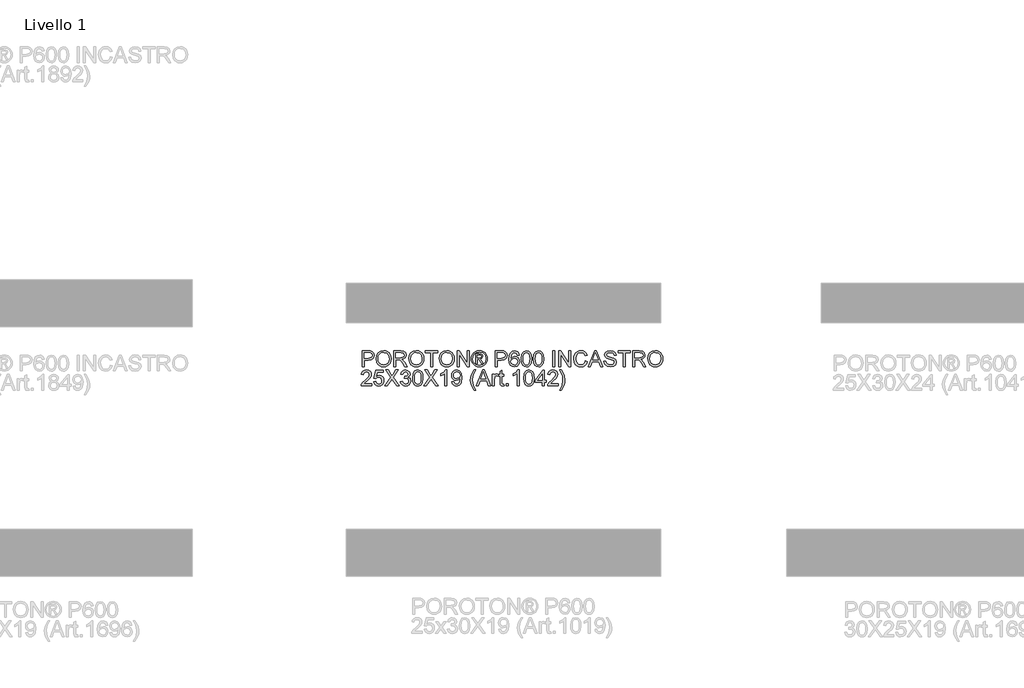
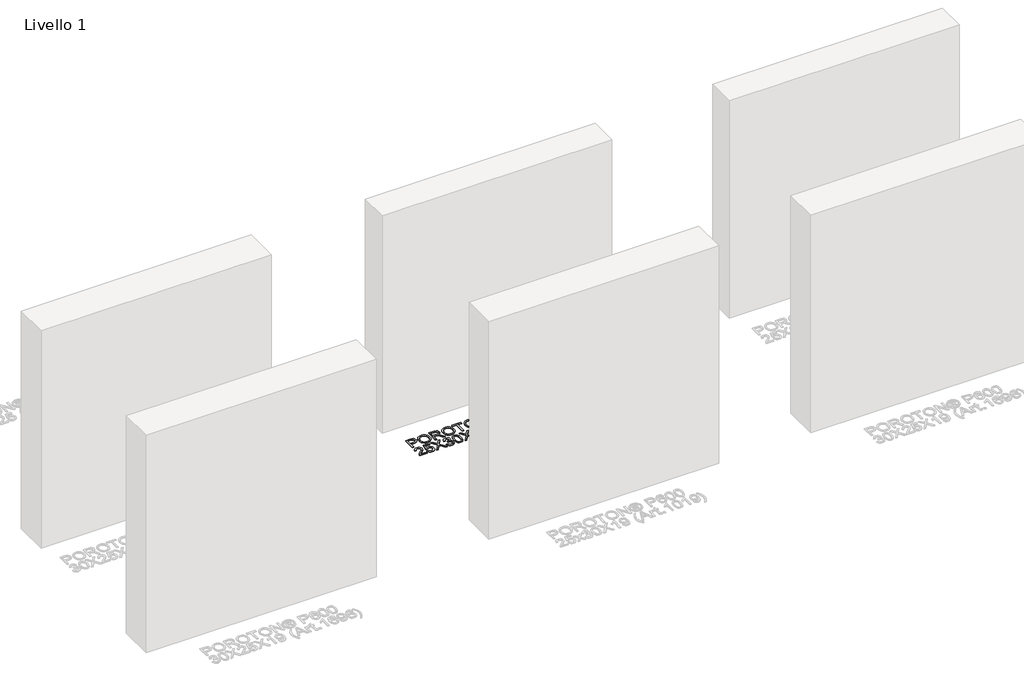
# One storey, part 9 of 11: 1 proxy.
"""IFC4 building model written with IfcOpenShell, lengths in millimetres."""

from ifc_helpers import new_model, si_unit, origin, origin_with_axes, place, context, project, spatial, polyline, outline, extrude, element, save

model = new_model("IFC4")

# Units and contexts
model_context = context("Model", 3, world=origin())
ifc_project = project(units=[si_unit("LENGTHUNIT", "METRE", prefix="MILLI")], contexts=[model_context])

# Site, building, storey
site = spatial("IfcSite", under=ifc_project)
building = spatial("IfcBuilding", under=site)
storey = spatial("IfcBuildingStorey", under=building, Name="Livello 1", Elevation=0.0)

# Proxy
placement = place(None, origin())
element("IfcBuildingElementProxy", 1, Name="100", ObjectType="100", at=placement, inside=storey, context=model_context, shape_type="SweptSolid", body=[
    extrude(outline(polyline([(797.4216782, 2471.0310244), (797.4216782, 2571.4873346), (834.6513361, 2571.4873346), (849.6609215, 2570.5308414), (861.862341, 2565.8342146), (869.7718039, 2556.1221299), (872.7639108, 2542.4246569), (870.7436255, 2530.5849881), (864.6827697, 2520.7196192), (853.3489385, 2514.0609551), (835.5097274, 2511.8414004), (809.978717, 2511.8414004), (809.978717, 2471.0310244), (797.4216782, 2471.0310244)]), holes=[polyline([(809.978717, 2524.3984392), (836.2454914, 2524.3984392), (854.737693, 2529.0092268), (858.8395773, 2534.5581136), (860.206872, 2541.9831985), (856.9817732, 2552.3819963), (848.5082246, 2558.0719045), (835.9511858, 2558.9302958), (809.978717, 2558.9302958), (809.978717, 2524.3984392)])]), origin_with_axes(), (0.0, 0.0, 1.0), 5.0),
    extrude(outline(polyline([(885.3209496, 2519.9348043), (888.6686757, 2542.1487454), (898.7118542, 2558.9548212), (914.046402, 2569.5314286), (933.2682363, 2573.0569644), (946.4445431, 2571.4014954), (958.2596865, 2566.4350885), (968.069873, 2558.5072315), (975.2313092, 2547.9674123), (979.6091049, 2535.3245344), (981.0683702, 2521.0875012), (979.5324629, 2506.6603956), (974.9247409, 2493.8397081), (967.4996559, 2483.2814948), (957.5116598, 2475.6418121), (945.7976839, 2471.0064989), (933.1946599, 2469.4613946), (919.816018, 2471.1689802), (907.9334296, 2476.2917369), (898.1477685, 2484.3667467), (891.0599087, 2494.9310914), (885.3209496, 2519.9348043)]), holes=[polyline([(897.8779883, 2519.812177), (900.388783, 2504.0974844), (907.9211668, 2492.1229255), (919.2427352, 2484.5445564), (933.1210835, 2482.0184333), (947.2017669, 2484.5690818), (958.5417294, 2492.2210273), (966.0189309, 2504.5634683), (968.5113314, 2521.1856031), (964.2439003, 2541.9096221), (951.7727006, 2555.6316206), (933.3418127, 2560.4999256), (919.8344121, 2558.1546779), (908.3503625, 2551.1189348), (900.4960819, 2538.6017499), (897.8779883, 2519.812177)])]), origin_with_axes(), (0.0, 0.0, 1.0), 5.0),
    extrude(outline(polyline([(998.3342985, 2471.0310244), (998.3342985, 2571.4873346), (1041.6217466, 2571.4873346), (1061.7203663, 2568.7772705), (1072.7077752, 2559.1878132), (1076.8157908, 2543.9942868), (1075.1143366, 2534.0982611), (1070.0099739, 2525.8944926), (1061.3494186, 2519.879622), (1048.9793865, 2516.5502899), (1056.1162972, 2511.1792128), (1066.2943657, 2498.254292), (1083.0452593, 2471.0310244), (1068.4526068, 2471.0310244), (1055.3805332, 2491.8531453), (1045.9382287, 2505.6364574), (1039.30409, 2512.1479687), (1033.332139, 2514.5392017), (1026.0480755, 2514.9806601), (1010.8913373, 2514.9806601), (1010.8913373, 2471.0310244), (998.3342985, 2471.0310244)]), holes=[polyline([(1010.8913373, 2527.5376989), (1038.9975217, 2527.5376989), (1053.3326568, 2529.3157952), (1061.4751116, 2535.0057034), (1064.258752, 2543.5283029), (1058.9489886, 2554.5892882), (1042.1613069, 2558.9302958), (1010.8913373, 2558.9302958), (1010.8913373, 2527.5376989)])]), origin_with_axes(), (0.0, 0.0, 1.0), 5.0),
    extrude(outline(polyline([(1094.0817191, 2519.9348043), (1097.4294453, 2542.1487454), (1107.4726237, 2558.9548212), (1122.8071716, 2569.5314286), (1142.0290058, 2573.0569644), (1155.2053126, 2571.4014954), (1167.020456, 2566.4350885), (1176.8306426, 2558.5072315), (1183.9920787, 2547.9674123), (1188.3698745, 2535.3245344), (1189.8291397, 2521.0875012), (1188.2932324, 2506.6603956), (1183.6855104, 2493.8397081), (1176.2604255, 2483.2814948), (1166.2724293, 2475.6418121), (1154.5584534, 2471.0064989), (1141.9554294, 2469.4613946), (1128.5767875, 2471.1689802), (1116.6941991, 2476.2917369), (1106.908538, 2484.3667467), (1099.8206782, 2494.9310914), (1094.0817191, 2519.9348043)]), holes=[polyline([(1106.6387579, 2519.812177), (1109.1495525, 2504.0974844), (1116.6819363, 2492.1229255), (1128.0035047, 2484.5445564), (1141.881853, 2482.0184333), (1155.9625364, 2484.5690818), (1167.3024989, 2492.2210273), (1174.7797004, 2504.5634683), (1177.272101, 2521.1856031), (1173.0046698, 2541.9096221), (1160.5334702, 2555.6316206), (1142.1025822, 2560.4999256), (1128.5951816, 2558.1546779), (1117.111132, 2551.1189348), (1109.2568514, 2538.6017499), (1106.6387579, 2519.812177)])]), origin_with_axes(), (0.0, 0.0, 1.0), 5.0),
    extrude(outline(polyline([(1232.2091456, 2471.0310244), (1232.2091456, 2558.9302958), (1199.2469188, 2558.9302958), (1199.2469188, 2571.4873346), (1277.7284111, 2571.4873346), (1277.7284111, 2558.9302958), (1244.7661843, 2558.9302958), (1244.7661843, 2471.0310244), (1232.2091456, 2471.0310244)])), origin_with_axes(), (0.0, 0.0, 1.0), 5.0),
    extrude(outline(polyline([(1287.1461902, 2519.9348043), (1290.4939163, 2542.1487454), (1300.5370948, 2558.9548212), (1315.8716426, 2569.5314286), (1335.0934769, 2573.0569644), (1348.2697837, 2571.4014954), (1360.0849271, 2566.4350885), (1369.8951136, 2558.5072315), (1377.0565498, 2547.9674123), (1381.4343455, 2535.3245344), (1382.8936108, 2521.0875012), (1381.3577035, 2506.6603956), (1376.7499815, 2493.8397081), (1369.3248965, 2483.2814948), (1359.3369004, 2475.6418121), (1347.6229245, 2471.0064989), (1335.0199005, 2469.4613946), (1321.6412586, 2471.1689802), (1309.7586701, 2476.2917369), (1299.9730091, 2484.3667467), (1292.8851493, 2494.9310914), (1287.1461902, 2519.9348043)]), holes=[polyline([(1299.7032289, 2519.812177), (1302.2140236, 2504.0974844), (1309.7464074, 2492.1229255), (1321.0679758, 2484.5445564), (1334.9463241, 2482.0184333), (1349.0270075, 2484.5690818), (1360.36697, 2492.2210273), (1367.8441715, 2504.5634683), (1370.336572, 2521.1856031), (1366.0691409, 2541.9096221), (1353.5979412, 2555.6316206), (1335.1670533, 2560.4999256), (1321.6596527, 2558.1546779), (1310.1756031, 2551.1189348), (1302.3213225, 2538.6017499), (1299.7032289, 2519.812177)])]), origin_with_axes(), (0.0, 0.0, 1.0), 5.0),
    extrude(outline(polyline([(1400.1595391, 2471.0310244), (1400.1595391, 2571.4873346), (1413.5994947, 2571.4873346), (1466.0839926, 2491.9021963), (1466.0839926, 2571.4873346), (1478.6410314, 2571.4873346), (1478.6410314, 2471.0310244), (1465.2010758, 2471.0310244), (1412.7165779, 2550.6406882), (1412.7165779, 2471.0310244), (1400.1595391, 2471.0310244)])), origin_with_axes(), (0.0, 0.0, 1.0), 5.0),
    extrude(outline(polyline([(1541.4507507, 2573.0569644), (1554.3450146, 2571.3831013), (1566.9327102, 2566.3615121), (1577.9906299, 2558.2251886), (1586.2955659, 2547.2071229), (1591.4918991, 2534.4845372), (1593.2240102, 2521.234654), (1591.5164246, 2508.1012668), (1586.3936678, 2495.4829143), (1578.1898993, 2484.5047025), (1567.2392786, 2476.2917369), (1554.6301232, 2471.1689802), (1541.4507507, 2469.4613946), (1528.2897723, 2471.1689802), (1515.6867483, 2476.2917369), (1504.7269305, 2484.5047025), (1496.4955709, 2495.4829143), (1491.345223, 2508.1012668), (1489.6284403, 2521.234654), (1491.3697484, 2534.4845372), (1496.5936728, 2547.2071229), (1504.9262, 2558.2251886), (1515.9933166, 2566.3615121), (1528.5748809, 2571.3831013), (1541.4507507, 2573.0569644)]), holes=[polyline([(1541.4507507, 2563.6391853), (1520.6286298, 2558.1577436), (1511.6001925, 2551.4960138), (1504.7729158, 2542.4737079), (1499.0462194, 2521.234654), (1504.6625512, 2500.1795412), (1520.3833751, 2484.4955054), (1541.4507507, 2478.8791736), (1562.530389, 2484.4955054), (1578.2144248, 2500.1795412), (1583.8062311, 2521.234654), (1578.1163229, 2542.4737079), (1571.3074403, 2551.4960138), (1562.2606089, 2558.1577436), (1541.4507507, 2563.6391853)])]), origin_with_axes(), (0.0, 0.0, 1.0), 5.0),
    extrude(outline(polyline([(1517.8817776, 2489.8665826), (1517.8817776, 2552.6517764), (1538.1643382, 2552.6517764), (1553.2229746, 2550.922731), (1560.6419281, 2544.8894663), (1563.4010431, 2535.7292046), (1558.6431026, 2523.809828), (1546.0370129, 2518.1199198), (1550.9421062, 2514.7844564), (1559.5014939, 2502.2519431), (1566.5403028, 2489.8665826), (1555.9453013, 2489.8665826), (1550.4270714, 2499.8239219), (1541.1809706, 2514.2448961), (1533.1611431, 2516.5502899), (1527.2995566, 2516.5502899), (1527.2995566, 2489.8665826), (1517.8817776, 2489.8665826)]), holes=[polyline([(1527.2995566, 2525.968069), (1539.2189333, 2525.968069), (1550.8685298, 2528.359302), (1553.983264, 2534.699135), (1552.4872106, 2539.2608718), (1548.330144, 2542.2529787), (1538.4586438, 2543.2339973), (1527.2995566, 2543.2339973), (1527.2995566, 2525.968069)])]), origin_with_axes(), (0.0, 0.0, 1.0), 5.0),
    extrude(outline(polyline([(1643.4521652, 2471.0310244), (1643.4521652, 2571.4873346), (1680.6818232, 2571.4873346), (1695.6914086, 2570.5308414), (1707.8928281, 2565.8342146), (1715.802291, 2556.1221299), (1718.7943979, 2542.4246569), (1716.7741126, 2530.5849881), (1710.7132567, 2520.7196192), (1699.3794256, 2514.0609551), (1681.5402145, 2511.8414004), (1656.009204, 2511.8414004), (1656.009204, 2471.0310244), (1643.4521652, 2471.0310244)]), holes=[polyline([(1656.009204, 2524.3984392), (1682.2759785, 2524.3984392), (1700.7681801, 2529.0092268), (1704.8700643, 2534.5581136), (1706.2373591, 2541.9831985), (1703.0122603, 2552.3819963), (1694.5387116, 2558.0719045), (1681.9816729, 2558.9302958), (1656.009204, 2558.9302958), (1656.009204, 2524.3984392)])]), origin_with_axes(), (0.0, 0.0, 1.0), 5.0),
    extrude(outline(polyline([(1795.7062603, 2544.8036272), (1783.1492215, 2543.2339973), (1778.3912811, 2553.7063715), (1765.8097168, 2558.9302958), (1754.4789514, 2555.889138), (1745.9073009, 2544.4725334), (1742.3388455, 2522.0930453), (1753.4120936, 2532.1116983), (1767.134092, 2535.3858481), (1778.7346376, 2533.1478993), (1788.4712477, 2526.4340529), (1795.0747296, 2516.1762766), (1797.2758902, 2503.3065381), (1793.1310863, 2485.9792961), (1781.7267445, 2473.716563), (1765.2701566, 2469.4613946), (1751.0239263, 2472.2818232), (1739.6778324, 2480.7431091), (1732.2558132, 2495.6791181), (1729.7818068, 2517.9237161), (1732.528659, 2542.9335604), (1740.7692157, 2560.0339418), (1752.0202734, 2568.6239864), (1766.5945318, 2571.4873346), (1777.6125975, 2569.7153696), (1786.435634, 2564.3994748), (1792.6160516, 2555.956583), (1795.7062603, 2544.8036272)]), holes=[polyline([(1742.3388455, 2503.5027418), (1745.2451133, 2492.6256975), (1752.9706352, 2484.7284974), (1764.2891379, 2482.0184333), (1772.5756799, 2483.4225163), (1779.0902569, 2487.6347651), (1783.3117028, 2494.256641), (1784.7188514, 2502.8896052), (1783.3300969, 2511.1761471), (1779.1638333, 2517.4945204), (1772.5388917, 2521.4952371), (1763.7741031, 2522.8288093), (1748.5805767, 2517.4945204), (1743.8992783, 2511.3294313), (1742.3388455, 2503.5027418)])]), origin_with_axes(), (0.0, 0.0, 1.0), 5.0),
    extrude(outline(polyline([(1808.2632991, 2520.4498391), (1811.9543818, 2549.3531012), (1822.9172652, 2566.0181556), (1841.2255258, 2571.4873346), (1855.8917547, 2568.249973), (1866.0207723, 2558.9180331), (1871.9068842, 2544.0556004), (1874.1877526, 2520.4498391), (1870.5334581, 2491.6692043), (1859.6073629, 2474.9673618), (1851.3760032, 2470.8378864), (1841.2255258, 2469.4613946), (1828.1779778, 2471.8526275), (1818.2696893, 2479.0263264), (1810.7648966, 2496.0163432), (1808.2632991, 2520.4498391)]), holes=[polyline([(1820.8203378, 2520.4743646), (1822.2918658, 2500.7221671), (1826.7064498, 2489.2902341), (1833.2792748, 2483.8363835), (1841.2255258, 2482.0184333), (1849.1717769, 2483.8425149), (1855.7446019, 2489.3147596), (1860.1591859, 2500.7528239), (1861.6307138, 2520.4743646), (1860.2082368, 2539.7820379), (1855.9408057, 2551.3028758), (1849.3802434, 2557.0234408), (1841.078373, 2558.9302958), (1833.2179611, 2557.2503013), (1826.9026535, 2552.210318), (1822.3409168, 2539.9721103), (1820.8203378, 2520.4743646)])]), origin_with_axes(), (0.0, 0.0, 1.0), 5.0),
    extrude(outline(polyline([(1885.1751615, 2520.4498391), (1888.8662442, 2549.3531012), (1899.8291277, 2566.0181556), (1918.1373883, 2571.4873346), (1932.8036172, 2568.249973), (1942.9326348, 2558.9180331), (1948.8187467, 2544.0556004), (1951.0996151, 2520.4498391), (1947.4453206, 2491.6692043), (1936.5192253, 2474.9673618), (1928.2878657, 2470.8378864), (1918.1373883, 2469.4613946), (1905.0898402, 2471.8526275), (1895.1815518, 2479.0263264), (1887.6767591, 2496.0163432), (1885.1751615, 2520.4498391)]), holes=[polyline([(1897.7322003, 2520.4743646), (1899.2037283, 2500.7221671), (1903.6183122, 2489.2902341), (1910.1911372, 2483.8363835), (1918.1373883, 2482.0184333), (1926.0836394, 2483.8425149), (1932.6564644, 2489.3147596), (1937.0710483, 2500.7528239), (1938.5425763, 2520.4743646), (1937.1200993, 2539.7820379), (1932.8526681, 2551.3028758), (1926.2921059, 2557.0234408), (1917.9902355, 2558.9302958), (1910.1298235, 2557.2503013), (1903.814516, 2552.210318), (1899.2527792, 2539.9721103), (1897.7322003, 2520.4743646)])]), origin_with_axes(), (0.0, 0.0, 1.0), 5.0),
    extrude(outline(polyline([(2007.6062895, 2471.0310244), (2007.6062895, 2571.4873346), (2020.1633283, 2571.4873346), (2020.1633283, 2471.0310244), (2007.6062895, 2471.0310244)])), origin_with_axes(), (0.0, 0.0, 1.0), 5.0),
    extrude(outline(polyline([(2045.2774058, 2471.0310244), (2045.2774058, 2571.4873346), (2058.7173614, 2571.4873346), (2111.2018594, 2491.9021963), (2111.2018594, 2571.4873346), (2123.7588981, 2571.4873346), (2123.7588981, 2471.0310244), (2110.3189426, 2471.0310244), (2057.8344446, 2550.6406882), (2057.8344446, 2471.0310244), (2045.2774058, 2471.0310244)])), origin_with_axes(), (0.0, 0.0, 1.0), 5.0),
    extrude(outline(polyline([(2216.3670591, 2506.7401034), (2228.9240978, 2503.5027418), (2223.1299564, 2488.8702355), (2214.0371398, 2478.1801978), (2202.0932376, 2471.6410954), (2187.7458398, 2469.4613946), (2173.1807785, 2471.1107322), (2161.6139554, 2476.058745), (2152.7479994, 2484.1337548), (2146.285539, 2495.1640833), (2141.0248265, 2522.0194689), (2142.5116828, 2536.6673037), (2146.972252, 2549.316313), (2154.1735421, 2559.5648922), (2163.8825611, 2567.0114369), (2175.3972675, 2571.5455825), (2188.01562, 2573.0569644), (2201.7836036, 2571.1010585), (2213.1664857, 2565.2333406), (2221.8086469, 2555.8155616), (2227.354468, 2543.2094719), (2214.7974292, 2540.217365), (2204.4967334, 2555.656146), (2187.5251106, 2560.4999256), (2167.8802121, 2555.1288485), (2156.7824386, 2540.7078743), (2153.5818652, 2522.0439944), (2157.3710498, 2500.4125331), (2169.1677991, 2486.5924328), (2186.4950411, 2482.0184333), (2196.9766122, 2483.5758004), (2205.7107439, 2488.2479018), (2212.3050287, 2495.9856864), (2216.3670591, 2506.7401034)])), origin_with_axes(), (0.0, 0.0, 1.0), 5.0),
    extrude(outline(polyline([(2234.4913787, 2471.0310244), (2274.5905162, 2571.4873346), (2285.2836195, 2571.4873346), (2325.382757, 2471.0310244), (2312.1144797, 2471.0310244), (2300.612036, 2502.4236213), (2259.2375742, 2502.4236213), (2247.759656, 2471.0310244), (2234.4913787, 2471.0310244)]), holes=[polyline([(2263.8483619, 2514.9806601), (2296.0257738, 2514.9806601), (2286.9758767, 2539.6778047), (2279.9370678, 2558.9302958), (2273.6830739, 2541.8360457), (2263.8483619, 2514.9806601)])]), origin_with_axes(), (0.0, 0.0, 1.0), 5.0),
    extrude(outline(polyline([(2334.0892975, 2505.562881), (2346.6463363, 2505.562881), (2350.6930382, 2492.9935795), (2360.5768012, 2485.0473284), (2375.6354375, 2482.0184333), (2388.756562, 2484.3115644), (2397.2301106, 2490.6146093), (2400.0137511, 2499.039107), (2397.9290864, 2506.8749935), (2389.3942241, 2512.5771644), (2371.110489, 2517.3718931), (2351.4288022, 2523.5645733), (2340.7479616, 2532.908776), (2337.2285572, 2545.3922384), (2341.5818275, 2559.6047461), (2354.2982818, 2569.6356618), (2372.9131107, 2573.0569644), (2392.7787385, 2569.4762463), (2406.0224903, 2558.9548212), (2411.00116, 2543.2339973), (2398.4441212, 2543.2339973), (2396.1387274, 2550.7265273), (2391.331736, 2556.1343926), (2373.4036201, 2560.4999256), (2355.4264532, 2556.1834436), (2349.785596, 2545.7601204), (2353.783247, 2537.0535798), (2374.2865369, 2530.0392964), (2396.5066094, 2523.7362516), (2408.6589779, 2513.558183), (2412.5707898, 2499.357938), (2408.0703667, 2484.3360899), (2395.1209205, 2473.3732064), (2376.1259468, 2469.4613946), (2353.6974079, 2473.6797748), (2339.5094256, 2486.3839663), (2334.0892975, 2505.562881)])), origin_with_axes(), (0.0, 0.0, 1.0), 5.0),
    extrude(outline(polyline([(2456.5204255, 2471.0310244), (2456.5204255, 2558.9302958), (2423.5581987, 2558.9302958), (2423.5581987, 2571.4873346), (2502.0396911, 2571.4873346), (2502.0396911, 2558.9302958), (2469.0774643, 2558.9302958), (2469.0774643, 2471.0310244), (2456.5204255, 2471.0310244)])), origin_with_axes(), (0.0, 0.0, 1.0), 5.0),
    extrude(outline(polyline([(2516.1663597, 2471.0310244), (2516.1663597, 2571.4873346), (2559.4538078, 2571.4873346), (2579.5524274, 2568.7772705), (2590.5398364, 2559.1878132), (2594.647852, 2543.9942868), (2592.9463977, 2534.0982611), (2587.8420351, 2525.8944926), (2579.1814798, 2519.879622), (2566.8114477, 2516.5502899), (2573.9483584, 2511.1792128), (2584.1264269, 2498.254292), (2600.8773204, 2471.0310244), (2586.2846679, 2471.0310244), (2573.2125944, 2491.8531453), (2563.7702898, 2505.6364574), (2557.1361512, 2512.1479687), (2551.1642001, 2514.5392017), (2543.8801366, 2514.9806601), (2528.7233984, 2514.9806601), (2528.7233984, 2471.0310244), (2516.1663597, 2471.0310244)]), holes=[polyline([(2528.7233984, 2527.5376989), (2556.8295829, 2527.5376989), (2571.1647179, 2529.3157952), (2579.3071728, 2535.0057034), (2582.0908132, 2543.5283029), (2576.7810497, 2554.5892882), (2559.993368, 2558.9302958), (2528.7233984, 2558.9302958), (2528.7233984, 2527.5376989)])]), origin_with_axes(), (0.0, 0.0, 1.0), 5.0),
    extrude(outline(polyline([(2611.9137803, 2519.9348043), (2615.2615064, 2542.1487454), (2625.3046849, 2558.9548212), (2640.6392327, 2569.5314286), (2659.861067, 2573.0569644), (2673.0373738, 2571.4014954), (2684.8525172, 2566.4350885), (2694.6627037, 2558.5072315), (2701.8241399, 2547.9674123), (2706.2019356, 2535.3245344), (2707.6612009, 2521.0875012), (2706.1252936, 2506.6603956), (2701.5175716, 2493.8397081), (2694.0924866, 2483.2814948), (2684.1044905, 2475.6418121), (2672.3905146, 2471.0064989), (2659.7874906, 2469.4613946), (2646.4088487, 2471.1689802), (2634.5262602, 2476.2917369), (2624.7405992, 2484.3667467), (2617.6527394, 2494.9310914), (2611.9137803, 2519.9348043)]), holes=[polyline([(2624.470819, 2519.812177), (2626.9816137, 2504.0974844), (2634.5139975, 2492.1229255), (2645.8355659, 2484.5445564), (2659.7139142, 2482.0184333), (2673.7945975, 2484.5690818), (2685.13456, 2492.2210273), (2692.6117616, 2504.5634683), (2695.1041621, 2521.1856031), (2690.836731, 2541.9096221), (2678.3655313, 2555.6316206), (2659.9346434, 2560.4999256), (2646.4272428, 2558.1546779), (2634.9431932, 2551.1189348), (2627.0889126, 2538.6017499), (2624.470819, 2519.812177)])]), origin_with_axes(), (0.0, 0.0, 1.0), 5.0),
    extrude(outline(polyline([(857.0676124, 2361.6132453), (857.0676124, 2349.0562066), (791.1431588, 2349.0562066), (792.4920595, 2357.7136962), (800.1194795, 2371.0432871), (815.8403034, 2385.5991514), (837.5208157, 2406.5193742), (842.9409437, 2420.7441447), (837.827384, 2432.2588511), (824.4732676, 2436.9554779), (810.5550654, 2432.3692157), (805.2698274, 2419.6895496), (792.7127887, 2421.2591795), (795.7570122, 2433.4054167), (802.3390342, 2442.2775041), (812.1154982, 2447.7037636), (824.7430477, 2449.5125167), (837.4625677, 2447.5014285), (847.2206376, 2441.4681637), (853.4286463, 2432.4550549), (855.4979825, 2421.5044341), (853.2661651, 2409.5973202), (845.8472115, 2397.2855361), (827.8577819, 2380.0809215), (813.4122823, 2368.0021293), (807.7468995, 2361.6132453), (857.0676124, 2361.6132453)])), origin_with_axes(), (0.0, 0.0, 1.0), 5.0),
    extrude(outline(polyline([(869.6246511, 2375.7399139), (882.1816899, 2377.3095438), (888.5092602, 2364.3723603), (901.6303847, 2360.0436155), (910.6312308, 2361.548866), (917.3757341, 2366.0646175), (921.5879829, 2373.0697038), (922.9920659, 2382.0429588), (917.7313534, 2396.9544423), (911.1248059, 2401.0563266), (901.8265884, 2402.4236213), (890.8023913, 2400.2408548), (883.7513197, 2394.5754721), (871.194281, 2396.1451019), (882.1816899, 2447.9428869), (930.8402151, 2447.9428869), (930.8402151, 2435.3858481), (892.335233, 2435.3858481), (886.9641558, 2407.7211221), (895.9343451, 2413.1657756), (905.3337301, 2414.9806601), (917.0661001, 2412.7304486), (926.8057759, 2405.9798139), (933.3632725, 2395.6913808), (935.5491047, 2382.8277737), (933.580936, 2370.2707349), (927.67643, 2359.5285807), (916.37019, 2350.4970777), (901.5813338, 2347.4865767), (889.2480899, 2349.4210229), (879.4225749, 2355.2243613), (872.6872687, 2364.2221418), (869.6246511, 2375.7399139)])), origin_with_axes(), (0.0, 0.0, 1.0), 5.0),
    extrude(outline(polyline([(940.2579942, 2349.0562066), (978.9837056, 2403.7970474), (946.5365136, 2449.5125167), (961.5951499, 2449.5125167), (979.8666223, 2423.7853025), (986.0225144, 2413.7543868), (993.2330015, 2423.9569808), (1011.3082702, 2449.5125167), (1026.5876357, 2449.5125167), (994.1404438, 2403.6498946), (1032.8661551, 2349.0562066), (1017.8075188, 2349.0562066), (992.0067282, 2385.4519986), (986.6356511, 2393.0058422), (980.7250137, 2384.7162346), (955.5373597, 2349.0562066), (940.2579942, 2349.0562066)])), origin_with_axes(), (0.0, 0.0, 1.0), 5.0),
    extrude(outline(polyline([(1040.7143043, 2375.7399139), (1053.2713431, 2377.3095438), (1060.1997874, 2364.0903174), (1073.1614963, 2360.0436155), (1081.769935, 2361.4354357), (1088.4163364, 2365.6108963), (1094.0817191, 2379.3942084), (1088.4653873, 2392.3804429), (1074.1915659, 2397.5185281), (1065.3869235, 2396.1451019), (1066.7848751, 2408.7021407), (1068.7959633, 2408.5549879), (1083.0452593, 2412.1602315), (1087.790937, 2416.7342309), (1089.3728296, 2423.2457423), (1084.7865674, 2433.0681915), (1072.9652926, 2436.9554779), (1060.996865, 2433.0314033), (1054.840973, 2421.2591795), (1042.2839342, 2422.8288093), (1045.9811482, 2434.1043925), (1052.5601046, 2442.5227588), (1061.5609507, 2447.7650772), (1072.5238342, 2449.5125167), (1087.6683097, 2446.0666887), (1098.2633111, 2436.6489096), (1101.9298683, 2423.9815062), (1098.4472521, 2412.4054861), (1088.1465563, 2404.091353), (1101.8317665, 2395.5074398), (1106.6387579, 2379.1734792), (1104.2352622, 2366.9352715), (1097.0247751, 2356.7081521), (1086.1415994, 2349.7919705), (1072.7200379, 2347.4865767), (1060.5799321, 2349.4547454), (1050.6961691, 2355.3592514), (1043.8229072, 2364.3907544), (1040.7143043, 2375.7399139)])), origin_with_axes(), (0.0, 0.0, 1.0), 5.0),
    extrude(outline(polyline([(1117.6261668, 2398.4750212), (1121.3172495, 2427.3782833), (1132.2801329, 2444.0433377), (1150.5883936, 2449.5125167), (1165.2546224, 2446.2751551), (1175.38364, 2436.9432152), (1181.269752, 2422.0807826), (1183.5506203, 2398.4750212), (1179.8963259, 2369.6943865), (1168.9702306, 2352.9925439), (1160.738871, 2348.8630685), (1150.5883936, 2347.4865767), (1137.5408455, 2349.8778097), (1127.6325571, 2357.0515086), (1120.1277644, 2374.0415254), (1117.6261668, 2398.4750212)]), holes=[polyline([(1130.1832056, 2398.4995467), (1131.6547336, 2378.7473493), (1136.0693175, 2367.3154163), (1142.6421425, 2361.8615657), (1150.5883936, 2360.0436155), (1158.5346447, 2361.867697), (1165.1074696, 2367.3399417), (1169.5220536, 2378.7780061), (1170.9935816, 2398.4995467), (1169.5711045, 2417.8072201), (1165.3036734, 2429.3280579), (1158.7431111, 2435.0486229), (1150.4412408, 2436.9554779), (1142.5808288, 2435.2754835), (1136.2655212, 2430.2355002), (1131.7037845, 2417.9972925), (1130.1832056, 2398.4995467)])]), origin_with_axes(), (0.0, 0.0, 1.0), 5.0),
    extrude(outline(polyline([(1188.2595099, 2349.0562066), (1226.9852212, 2403.7970474), (1194.5380293, 2449.5125167), (1209.5966656, 2449.5125167), (1227.868138, 2423.7853025), (1234.0240301, 2413.7543868), (1241.2345172, 2423.9569808), (1259.3097859, 2449.5125167), (1274.5891514, 2449.5125167), (1242.1419594, 2403.6498946), (1280.8676708, 2349.0562066), (1265.8090345, 2349.0562066), (1240.0082439, 2385.4519986), (1234.6371667, 2393.0058422), (1228.7265293, 2384.7162346), (1203.5388754, 2349.0562066), (1188.2595099, 2349.0562066)])), origin_with_axes(), (0.0, 0.0, 1.0), 5.0),
    extrude(outline(polyline([(1335.8047154, 2349.0562066), (1323.2476766, 2349.0562066), (1323.2476766, 2427.3414951), (1311.3528255, 2418.8679465), (1298.1335991, 2412.5281135), (1298.1335991, 2424.3984392), (1316.5399616, 2436.1461375), (1327.7113115, 2449.5125167), (1335.8047154, 2449.5125167), (1335.8047154, 2349.0562066)])), origin_with_axes(), (0.0, 0.0, 1.0), 5.0),
    extrude(outline(polyline([(1367.1973123, 2374.1702841), (1379.7543511, 2375.7399139), (1385.3952084, 2363.7592236), (1396.0883117, 2360.0436155), (1406.2541175, 2362.4348484), (1413.1457735, 2368.8237324), (1417.2537891, 2379.737565), (1419.0686736, 2394.305692), (1418.9950973, 2396.7582386), (1408.9519188, 2387.2423577), (1395.1808694, 2383.5880632), (1383.7305423, 2385.8198806), (1374.199333, 2392.5153329), (1367.7705951, 2402.8589484), (1365.6276825, 2416.0352551), (1367.8748283, 2429.646889), (1374.6162659, 2440.3154668), (1384.7422178, 2447.2132542), (1397.1429067, 2449.5125167), (1415.0342344, 2444.2640669), (1427.3460185, 2429.3035324), (1431.552136, 2401.197348), (1427.3582813, 2370.6999306), (1422.143554, 2360.7088688), (1414.8870816, 2353.4217396), (1405.9015639, 2348.9703674), (1395.4997005, 2347.4865767), (1384.7636776, 2349.2370819), (1376.1981585, 2354.4885974), (1370.2078133, 2362.9100294), (1367.1973123, 2374.1702841)]), holes=[polyline([(1418.9950973, 2416.3295607), (1417.6400652, 2424.8398976), (1413.5749692, 2431.3881971), (1407.265793, 2435.5636577), (1399.1785204, 2436.9554779), (1390.790811, 2435.4563588), (1384.0708332, 2430.9590014), (1379.6562492, 2424.0765424), (1378.1847213, 2415.4221185), (1379.5765415, 2407.6628741), (1383.7520021, 2401.5039163), (1390.306433, 2397.4848055), (1398.8351639, 2396.1451019), (1413.3174518, 2401.5039163), (1417.5756859, 2407.8897346), (1418.9950973, 2416.3295607)])]), origin_with_axes(), (0.0, 0.0, 1.0), 5.0),
    extrude(outline(polyline([(1510.0336283, 2320.8028693), (1492.2036143, 2350.2579544), (1486.7405667, 2367.4380436), (1484.9195508, 2385.2312694), (1490.3642043, 2415.765475), (1510.0336283, 2449.5125167), (1519.4514074, 2449.5125167), (1507.703709, 2429.6223635), (1500.6403747, 2410.345347), (1497.4765896, 2385.157693), (1502.970294, 2352.9680184), (1519.4514074, 2320.8028693), (1510.0336283, 2320.8028693)])), origin_with_axes(), (0.0, 0.0, 1.0), 5.0),
    extrude(outline(polyline([(1521.8794286, 2349.0562066), (1561.978566, 2449.5125167), (1572.6716694, 2449.5125167), (1612.7708068, 2349.0562066), (1599.5025296, 2349.0562066), (1588.0000858, 2380.4488035), (1546.6256241, 2380.4488035), (1535.1477059, 2349.0562066), (1521.8794286, 2349.0562066)]), holes=[polyline([(1551.2364118, 2393.0058422), (1583.4138236, 2393.0058422), (1574.3639265, 2417.7029869), (1567.3251177, 2436.9554779), (1561.0711238, 2419.8612279), (1551.2364118, 2393.0058422)])]), origin_with_axes(), (0.0, 0.0, 1.0), 5.0),
    extrude(outline(polyline([(1624.6166071, 2349.0562066), (1624.6166071, 2422.8288093), (1635.604016, 2422.8288093), (1635.604016, 2411.9149768), (1643.4031143, 2421.970418), (1651.2512635, 2424.3984392), (1663.8573532, 2420.5234155), (1659.6634985, 2409.2662264), (1650.8343306, 2411.8414004), (1643.7342081, 2409.3643283), (1639.2092596, 2402.4971977), (1637.1736459, 2387.8309688), (1637.1736459, 2349.0562066), (1624.6166071, 2349.0562066)])), origin_with_axes(), (0.0, 0.0, 1.0), 5.0),
    extrude(outline(polyline([(1698.3892099, 2359.5285807), (1699.9588397, 2348.6883246), (1690.5655861, 2347.4865767), (1680.044161, 2349.5712414), (1674.7957112, 2355.0404203), (1673.2751323, 2369.2897163), (1673.2751323, 2410.2717706), (1663.8573532, 2410.2717706), (1663.8573532, 2422.8288093), (1673.2751323, 2422.8288093), (1673.2751323, 2440.7569252), (1685.8321711, 2448.1390906), (1685.8321711, 2422.8288093), (1698.3892099, 2422.8288093), (1698.3892099, 2410.2717706), (1685.8321711, 2410.2717706), (1685.8321711, 2369.6575983), (1686.4943587, 2363.1828752), (1688.640337, 2360.8897441), (1692.9200309, 2360.0436155), (1698.3892099, 2359.5285807)])), origin_with_axes(), (0.0, 0.0, 1.0), 5.0),
    extrude(outline(polyline([(1714.0855083, 2349.0562066), (1714.0855083, 2361.6132453), (1726.6425471, 2361.6132453), (1726.6425471, 2349.0562066), (1714.0855083, 2349.0562066)])), origin_with_axes(), (0.0, 0.0, 1.0), 5.0),
    extrude(outline(polyline([(1794.1366305, 2349.0562066), (1781.5795917, 2349.0562066), (1781.5795917, 2427.3414951), (1769.6847405, 2418.8679465), (1756.4655142, 2412.5281135), (1756.4655142, 2424.3984392), (1774.8718767, 2436.1461375), (1786.0432266, 2449.5125167), (1794.1366305, 2449.5125167), (1794.1366305, 2349.0562066)])), origin_with_axes(), (0.0, 0.0, 1.0), 5.0),
    extrude(outline(polyline([(1823.9595975, 2398.4750212), (1827.6506802, 2427.3782833), (1838.6135637, 2444.0433377), (1856.9218243, 2449.5125167), (1871.5880532, 2446.2751551), (1881.7170708, 2436.9432152), (1887.6031827, 2422.0807826), (1889.8840511, 2398.4750212), (1886.2297566, 2369.6943865), (1875.3036613, 2352.9925439), (1867.0723017, 2348.8630685), (1856.9218243, 2347.4865767), (1843.8742762, 2349.8778097), (1833.9659878, 2357.0515086), (1826.4611951, 2374.0415254), (1823.9595975, 2398.4750212)]), holes=[polyline([(1836.5166363, 2398.4995467), (1837.9881643, 2378.7473493), (1842.4027482, 2367.3154163), (1848.9755732, 2361.8615657), (1856.9218243, 2360.0436155), (1864.8680754, 2361.867697), (1871.4409004, 2367.3399417), (1875.8554843, 2378.7780061), (1877.3270123, 2398.4995467), (1875.9045353, 2417.8072201), (1871.6371041, 2429.3280579), (1865.0765419, 2435.0486229), (1856.7746715, 2436.9554779), (1848.9142595, 2435.2754835), (1842.598952, 2430.2355002), (1838.0372152, 2417.9972925), (1836.5166363, 2398.4995467)])]), origin_with_axes(), (0.0, 0.0, 1.0), 5.0),
    extrude(outline(polyline([(1941.681836, 2349.0562066), (1941.681836, 2372.6006542), (1896.1625705, 2372.6006542), (1896.1625705, 2385.157693), (1944.8210957, 2447.9428869), (1954.2388748, 2447.9428869), (1954.2388748, 2385.157693), (1966.7959135, 2385.157693), (1966.7959135, 2372.6006542), (1954.2388748, 2372.6006542), (1954.2388748, 2349.0562066), (1941.681836, 2349.0562066)]), holes=[polyline([(1941.681836, 2385.157693), (1941.681836, 2423.9569808), (1911.6136143, 2385.157693), (1941.681836, 2385.157693)])]), origin_with_axes(), (0.0, 0.0, 1.0), 5.0),
    extrude(outline(polyline([(2042.1381461, 2361.6132453), (2042.1381461, 2349.0562066), (1976.2136926, 2349.0562066), (1977.5625933, 2357.7136962), (1985.1900133, 2371.0432871), (2000.9108372, 2385.5991514), (2022.5913495, 2406.5193742), (2028.0114775, 2420.7441447), (2022.8979178, 2432.2588511), (2009.5438014, 2436.9554779), (1995.6255992, 2432.3692157), (1990.3403612, 2419.6895496), (1977.7833225, 2421.2591795), (1980.827546, 2433.4054167), (1987.409568, 2442.2775041), (1997.186032, 2447.7037636), (2009.8135815, 2449.5125167), (2022.5331015, 2447.5014285), (2032.2911714, 2441.4681637), (2038.4991801, 2432.4550549), (2040.5685163, 2421.5044341), (2038.3366989, 2409.5973202), (2030.9177453, 2397.2855361), (2012.9283157, 2380.0809215), (1998.4828161, 2368.0021293), (1992.8174333, 2361.6132453), (2042.1381461, 2361.6132453)])), origin_with_axes(), (0.0, 0.0, 1.0), 5.0),
    extrude(outline(polyline([(2060.9737043, 2320.8028693), (2051.5559252, 2320.8028693), (2068.0370386, 2352.9680184), (2073.5307431, 2385.157693), (2070.3669579, 2410.1246178), (2063.3772, 2429.4261598), (2051.5559252, 2449.5125167), (2060.9737043, 2449.5125167), (2080.6431283, 2415.765475), (2086.0877818, 2385.2312694), (2084.2575689, 2367.4380436), (2078.7669301, 2350.2579544), (2060.9737043, 2320.8028693)])), origin_with_axes(), (0.0, 0.0, 1.0), 5.0),
])

save(model, "model.ifc")
